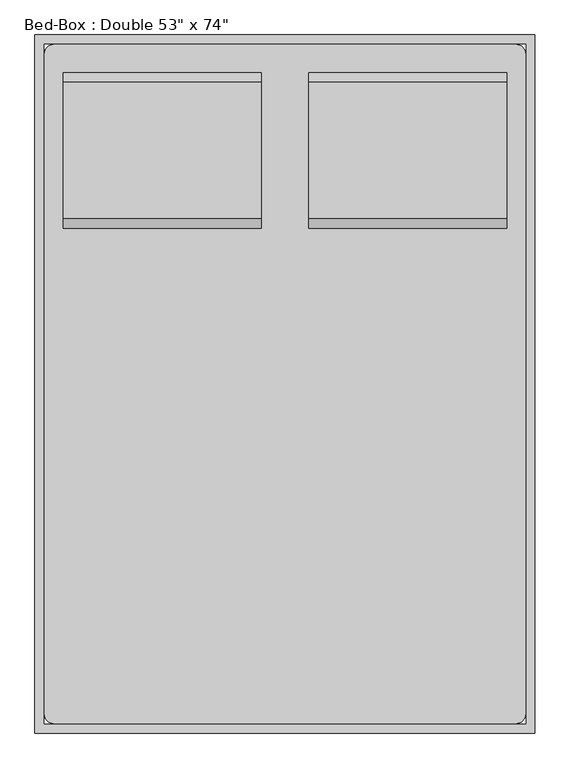
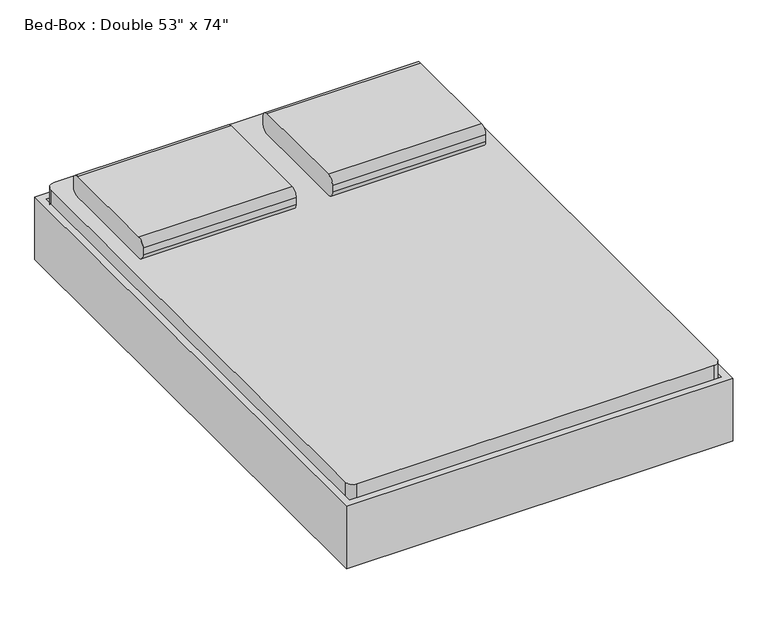
"""IFC4 building model written with IfcOpenShell, lengths in millimetres: furniture geometry."""

from ifc_helpers import new_model, si_unit, point, frame, frame_2d, origin, place, context, project, spatial, polyline, circle_curve, trimmed, segment, composite_curve, outline, extrude, source, transform, mapped, element, save
from ifc_brep_helpers import plane_surface, cylinder_surface, revolved_surface, advanced_brep


def furniture_c8abb964(model_context):
    return source(origin(), model_context, "Body", "SolidModel", [
        extrude(outline(composite_curve([segment(polyline([(578.3704918, 406.4), (210.0704918, 406.4)]), True, "CONTINUOUS"), segment(trimmed(circle_curve(frame_2d((210.0704918, 431.8)), 25.4), [point((210.0704918, 406.4))], [point((184.6704918, 431.8))], False, "CARTESIAN"), True, "CONTINUOUS"), segment(polyline([(184.6704918, 431.8), (184.6704918, 457.2)]), True, "CONTINUOUS"), segment(trimmed(circle_curve(frame_2d((210.0704918, 457.2)), 25.4), [point((184.6704918, 457.2))], [point((210.0704918, 482.6))], False, "CARTESIAN"), True, "CONTINUOUS"), segment(polyline([(210.0704918, 482.6), (578.3704918, 482.6)]), True, "CONTINUOUS"), segment(trimmed(circle_curve(frame_2d((578.3704918, 457.2)), 25.4), [point((578.3704918, 482.6))], [point((603.7704918, 457.2))], False, "CARTESIAN"), True, "CONTINUOUS"), segment(polyline([(603.7704918, 457.2), (603.7704918, 431.8)]), True, "CONTINUOUS"), segment(trimmed(circle_curve(frame_2d((578.3704918, 431.8)), 25.4), [point((603.7704918, 431.8))], [point((578.3704918, 406.4))], False, "CARTESIAN"), True, "CONTINUOUS")], self_intersect=False)), frame((402.652459, 0.0, 0.0), z_axis=(1.0, 0.0, 0.0), x_axis=(0.0, 1.0, 0.0)), (0.0, 0.0, 1.0), 533.4),
        extrude(outline(composite_curve([segment(polyline([(578.3704918, 406.4), (210.0704918, 406.4)]), True, "CONTINUOUS"), segment(trimmed(circle_curve(frame_2d((210.0704918, 431.8)), 25.4), [point((210.0704918, 406.4))], [point((184.6704918, 431.8))], False, "CARTESIAN"), True, "CONTINUOUS"), segment(polyline([(184.6704918, 431.8), (184.6704918, 457.2)]), True, "CONTINUOUS"), segment(trimmed(circle_curve(frame_2d((210.0704918, 457.2)), 25.4), [point((184.6704918, 457.2))], [point((210.0704918, 482.6))], False, "CARTESIAN"), True, "CONTINUOUS"), segment(polyline([(210.0704918, 482.6), (578.3704918, 482.6)]), True, "CONTINUOUS"), segment(trimmed(circle_curve(frame_2d((578.3704918, 457.2)), 25.4), [point((578.3704918, 482.6))], [point((603.7704918, 457.2))], False, "CARTESIAN"), True, "CONTINUOUS"), segment(polyline([(603.7704918, 457.2), (603.7704918, 431.8)]), True, "CONTINUOUS"), segment(trimmed(circle_curve(frame_2d((578.3704918, 431.8)), 25.4), [point((603.7704918, 431.8))], [point((578.3704918, 406.4))], False, "CARTESIAN"), True, "CONTINUOUS")], self_intersect=False)), frame((-257.747541, 0.0, 0.0), z_axis=(1.0, 0.0, 0.0), x_axis=(0.0, 1.0, 0.0)), (0.0, 0.0, 1.0), 533.4),
        advanced_brep(
        [(-308.2231784, 451.3704918, 177.8), (-308.2231784, 375.1704918, 177.8), (-308.2231784, 375.1704918, 196.85), (-308.2231784, 451.3704918, 196.85), (-257.4231784, 451.3704918, 177.8), (-257.4231784, 375.1704918, 177.8), (-245.2869899, 375.1704918, 196.85), (-245.2869899, 451.3704918, 196.85), (-181.3523099, 451.3704918, 14.6654962), (-181.3523099, 375.1704918, 14.6654962), (-164.0871466, 375.1704918, 22.716374), (-164.0871466, 451.3704918, 22.716374), (-158.3320921, 375.1704918, 0.0), (-158.3320921, 451.3704918, 0.0), (-158.3320921, 375.1704918, 19.05), (-158.3320921, 451.3704918, 19.05), (-79.7195862, 451.3704918, 0.0), (-79.7195862, 375.1704918, 0.0), (-79.7195862, 375.1704918, 19.05), (-79.7195862, 451.3704918, 19.05), (-67.0195862, 375.1704918, 3.4029547), (-67.0195862, 451.3704918, 3.4029547), (-76.5445862, 375.1704918, 19.9007387), (-76.5445862, 451.3704918, 19.9007387), (-6.922541, 451.3704918, 38.1), (-6.922541, 375.1704918, 38.1), (-12.0269731, 375.1704918, 57.15), (-12.0269731, 451.3704918, 57.15), (685.5518216, 451.3704918, 38.1), (685.5518216, 375.1704918, 38.1), (690.6562537, 375.1704918, 57.15), (690.6562537, 451.3704918, 57.15), (745.6488669, 451.3704918, 3.4029547), (745.6488669, 375.1704918, 3.4029547), (755.1738669, 375.1704918, 19.9007387), (755.1738669, 451.3704918, 19.9007387), (758.3488669, 375.1704918, 0.0), (758.3488669, 451.3704918, 0.0), (758.3488669, 375.1704918, 19.05), (758.3488669, 451.3704918, 19.05), (836.9613728, 451.3704918, 0.0), (836.9613728, 375.1704918, 0.0), (836.9613728, 375.1704918, 19.05), (836.9613728, 451.3704918, 19.05), (859.9815906, 375.1704918, 14.6654962), (859.9815906, 451.3704918, 14.6654962), (842.7164272, 375.1704918, 22.716374), (842.7164272, 451.3704918, 22.716374), (936.052459, 451.3704918, 177.8), (936.052459, 375.1704918, 177.8), (923.9162705, 375.1704918, 196.85), (923.9162705, 451.3704918, 196.85), (986.852459, 451.3704918, 177.8), (986.852459, 451.3704918, 196.85), (986.852459, 375.1704918, 196.85), (986.852459, 375.1704918, 177.8)],
        [
            (0, 1),
            (1, 2),
            (2, 3),
            (3, 0),
            (0, 4),
            (4, 5),
            (5, 1),
            (5, 6),
            (6, 2),
            (6, 7),
            (7, 3),
            (7, 4),
            (4, 8),
            (8, 9),
            (9, 5),
            (9, 10),
            (10, 6),
            (10, 11),
            (11, 7),
            (11, 8),
            (12, 9, circle_curve(frame((-158.3320921, 375.1704918, 25.4), z_axis=(0.0, 1.0, 0.0), x_axis=(-0.9063077870366486, 0.0, -0.42261826174070233)), 25.4)),
            (8, 13, circle_curve(frame((-158.3320921, 451.3704918, 25.4), z_axis=(0.0, -1.0, 0.0), x_axis=(-0.9063077870366486, 0.0, -0.42261826174070233)), 25.4)),
            (13, 12),
            (14, 10, circle_curve(frame((-158.3320921, 375.1704918, 25.4), z_axis=(0.0, 1.0, 0.0), x_axis=(-0.9063077870366486, 0.0, -0.42261826174070233)), 6.35)),
            (12, 14),
            (15, 11, circle_curve(frame((-158.3320921, 451.3704918, 25.4), z_axis=(0.0, 1.0, 0.0), x_axis=(-0.9063077870366486, 0.0, -0.42261826174070233)), 6.35)),
            (14, 15),
            (15, 13),
            (13, 16),
            (16, 17),
            (17, 12),
            (17, 18),
            (18, 14),
            (18, 19),
            (19, 15),
            (19, 16),
            (20, 17, circle_curve(frame((-79.7195862, 375.1704918, 25.4), z_axis=(0.0, 1.0, 0.0), x_axis=(0.0, 0.0, -1.0)), 25.4)),
            (16, 21, circle_curve(frame((-79.7195862, 451.3704918, 25.4), z_axis=(0.0, -1.0, 0.0), x_axis=(0.0, 0.0, -1.0)), 25.4)),
            (21, 20),
            (22, 18, circle_curve(frame((-79.7195862, 375.1704918, 25.4), z_axis=(0.0, 1.0, 0.0), x_axis=(0.0, 0.0, -1.0)), 6.35)),
            (20, 22),
            (23, 19, circle_curve(frame((-79.7195862, 451.3704918, 25.4), z_axis=(0.0, 1.0, 0.0), x_axis=(0.0, 0.0, -1.0)), 6.35)),
            (22, 23),
            (23, 21),
            (21, 24),
            (24, 25),
            (25, 20),
            (25, 26),
            (26, 22),
            (26, 27),
            (27, 23),
            (27, 24),
            (24, 28),
            (28, 29),
            (29, 25),
            (29, 30),
            (30, 26),
            (30, 31),
            (31, 27),
            (31, 28),
            (28, 32),
            (32, 33),
            (33, 29),
            (33, 34),
            (34, 30),
            (34, 35),
            (35, 31),
            (35, 32),
            (36, 33, circle_curve(frame((758.3488669, 375.1704918, 25.4), z_axis=(0.0, 1.0, 0.0), x_axis=(-0.5000000000000463, 0.0, -0.8660254037844118)), 25.4)),
            (32, 37, circle_curve(frame((758.3488669, 451.3704918, 25.4), z_axis=(0.0, -1.0, 0.0), x_axis=(-0.5000000000000463, 0.0, -0.8660254037844118)), 25.4)),
            (37, 36),
            (38, 34, circle_curve(frame((758.3488669, 375.1704918, 25.4), z_axis=(0.0, 1.0, 0.0), x_axis=(-0.5000000000000463, 0.0, -0.8660254037844118)), 6.35)),
            (36, 38),
            (39, 35, circle_curve(frame((758.3488669, 451.3704918, 25.4), z_axis=(0.0, 1.0, 0.0), x_axis=(-0.5000000000000463, 0.0, -0.8660254037844118)), 6.35)),
            (38, 39),
            (39, 37),
            (37, 40),
            (40, 41),
            (41, 36),
            (41, 42),
            (42, 38),
            (42, 43),
            (43, 39),
            (43, 40),
            (44, 41, circle_curve(frame((836.9613728, 375.1704918, 25.4), z_axis=(0.0, 1.0, 0.0), x_axis=(0.0, 0.0, -1.0)), 25.4)),
            (40, 45, circle_curve(frame((836.9613728, 451.3704918, 25.4), z_axis=(0.0, -1.0, 0.0), x_axis=(0.0, 0.0, -1.0)), 25.4)),
            (45, 44),
            (46, 42, circle_curve(frame((836.9613728, 375.1704918, 25.4), z_axis=(0.0, 1.0, 0.0), x_axis=(0.0, 0.0, -1.0)), 6.35)),
            (44, 46),
            (47, 43, circle_curve(frame((836.9613728, 451.3704918, 25.4), z_axis=(0.0, 1.0, 0.0), x_axis=(0.0, 0.0, -1.0)), 6.35)),
            (46, 47),
            (47, 45),
            (45, 48),
            (48, 49),
            (49, 44),
            (49, 50),
            (50, 46),
            (50, 51),
            (51, 47),
            (51, 48),
            (52, 53),
            (53, 54),
            (54, 55),
            (55, 52),
            (48, 52),
            (55, 49),
            (54, 50),
            (53, 51),
        ],
        [
            plane_surface(frame((-308.2231784, 705.3704918, -152.9490627), z_axis=(-1.0, 0.0, 0.0), x_axis=(0.0, 1.0, 0.0))),
            plane_surface(frame((-308.2231784, 451.3704918, 177.8), z_axis=(0.0, 0.0, -1.0), x_axis=(1.0, 0.0, 0.0))),
            plane_surface(frame((-308.2231784, 375.1704918, 177.8), z_axis=(0.0, -1.0, 0.0), x_axis=(1.0, 0.0, 0.0))),
            plane_surface(frame((-308.2231784, 375.1704918, 196.85), z_axis=(0.0, 0.0, 1.0), x_axis=(1.0, 0.0, 0.0))),
            plane_surface(frame((-308.2231784, 451.3704918, 196.85), z_axis=(0.0, 1.0, 0.0), x_axis=(1.0, 0.0, 0.0))),
            plane_surface(frame((-257.4231784, 451.3704918, 177.8), z_axis=(-0.9063077870366488, 0.0, -0.42261826174070194), x_axis=(0.42261826174070194, 0.0, -0.9063077870366488))),
            plane_surface(frame((-257.4231784, 375.1704918, 177.8), z_axis=(0.0, -1.0, 0.0), x_axis=(0.42261826174070194, 0.0, -0.9063077870366488))),
            plane_surface(frame((-245.2869899, 375.1704918, 196.85), z_axis=(0.9063077870366487, 0.0, 0.4226182617407021), x_axis=(0.4226182617407021, 0.0, -0.9063077870366487))),
            plane_surface(frame((-245.2869899, 451.3704918, 196.85), z_axis=(0.0, 1.0, 0.0), x_axis=(0.4226182617407021, 0.0, -0.9063077870366487))),
            cylinder_surface(frame((-158.3320921, 705.3704918, 25.4), z_axis=(0.0, -1.0, 0.0), x_axis=(-0.9063077870366486, 0.0, -0.42261826174070233)), 25.4),
            plane_surface(frame((-158.3320921, 375.1704918, 25.4), z_axis=(0.0, -1.0, 0.0), x_axis=(-0.9063077870366486, 0.0, -0.42261826174070233))),
            revolved_surface(polyline([(-164.08714654768272, 375.1704918, 22.71637403794654), (-164.08714654768272, 451.3704918, 22.71637403794654)]), (-158.3320921, 705.3704918, 25.4), (0.0, -1.0, 0.0)),
            plane_surface(frame((-158.3320921, 451.3704918, 25.4), z_axis=(0.0, 1.0, 0.0), x_axis=(-0.9063077870366486, 0.0, -0.42261826174070233))),
            plane_surface(frame((-158.3320921, 451.3704918, 0.0), z_axis=(0.0, 0.0, -1.0), x_axis=(1.0, 0.0, 0.0))),
            plane_surface(frame((-158.3320921, 375.1704918, 0.0), z_axis=(0.0, -1.0, 0.0), x_axis=(1.0, 0.0, 0.0))),
            plane_surface(frame((-158.3320921, 375.1704918, 19.05), z_axis=(0.0, 0.0, 1.0), x_axis=(1.0, 0.0, 0.0))),
            plane_surface(frame((-158.3320921, 451.3704918, 19.05), z_axis=(0.0, 1.0, 0.0), x_axis=(1.0, 0.0, 0.0))),
            cylinder_surface(frame((-79.7195862, 705.3704918, 25.4), z_axis=(0.0, -1.0, 0.0), x_axis=(0.0, 0.0, -1.0)), 25.4),
            plane_surface(frame((-79.7195862, 375.1704918, 25.4), z_axis=(0.0, -1.0, 0.0), x_axis=(0.0, 0.0, -1.0))),
            revolved_surface(polyline([(-79.7195862, 375.1704918, 19.049999999999997), (-79.7195862, 451.3704918, 19.049999999999997)]), (-79.7195862, 705.3704918, 25.4), (0.0, -1.0, 0.0)),
            plane_surface(frame((-79.7195862, 451.3704918, 25.4), z_axis=(0.0, 1.0, 0.0), x_axis=(0.0, 0.0, -1.0))),
            plane_surface(frame((-67.0195862, 451.3704918, 3.4029547), z_axis=(0.4999999999998775, 0.0, -0.8660254037845094), x_axis=(0.8660254037845094, 0.0, 0.4999999999998775))),
            plane_surface(frame((-67.0195862, 375.1704918, 3.4029547), z_axis=(0.0, -1.0, 0.0), x_axis=(0.866025403784509, 0.0, 0.49999999999987826))),
            plane_surface(frame((-76.5445862, 375.1704918, 19.9007387), z_axis=(-0.49999999999987754, 0.0, 0.8660254037845093), x_axis=(0.8660254037845093, 0.0, 0.49999999999987754))),
            plane_surface(frame((-76.5445862, 451.3704918, 19.9007387), z_axis=(0.0, 1.0000000000000002, 0.0), x_axis=(0.8660254037845091, 0.0, 0.49999999999987815))),
            plane_surface(frame((-6.922541, 451.3704918, 38.1), z_axis=(0.0, 0.0, -1.0), x_axis=(1.0, 0.0, 0.0))),
            plane_surface(frame((-6.922541, 375.1704918, 38.1), z_axis=(0.0, -1.0, 0.0), x_axis=(1.0, 0.0, 0.0))),
            plane_surface(frame((-12.0269731, 375.1704918, 57.15), z_axis=(0.0, 0.0, 1.0), x_axis=(1.0, 0.0, 0.0))),
            plane_surface(frame((-12.0269731, 451.3704918, 57.15), z_axis=(0.0, 1.0, 0.0), x_axis=(1.0, 0.0, 0.0))),
            plane_surface(frame((685.5518216, 451.3704918, 38.1), z_axis=(-0.500000000000047, 0.0, -0.8660254037844116), x_axis=(0.8660254037844116, 0.0, -0.500000000000047))),
            plane_surface(frame((685.5518216, 375.1704918, 38.1), z_axis=(0.0, -1.0, 0.0), x_axis=(0.8660254037844122, 0.0, -0.5000000000000459))),
            plane_surface(frame((690.6562537, 375.1704918, 57.15), z_axis=(0.5000000000000461, 0.0, 0.8660254037844121), x_axis=(0.8660254037844121, 0.0, -0.5000000000000461))),
            plane_surface(frame((690.6562537, 451.3704918, 57.15), z_axis=(0.0, 1.0, 0.0), x_axis=(0.8660254037844127, 0.0, -0.500000000000045))),
            cylinder_surface(frame((758.3488669, 705.3704918, 25.4), z_axis=(0.0, -1.0, 0.0), x_axis=(-0.5000000000000463, 0.0, -0.8660254037844118)), 25.4),
            plane_surface(frame((758.3488669, 375.1704918, 25.4), z_axis=(0.0, -1.0000000000000002, 0.0), x_axis=(-0.5000000000000464, 0.0, -0.866025403784412))),
            revolved_surface(polyline([(755.1738668999997, 375.1704918, 19.90073868596898), (755.1738668999997, 451.3704918, 19.90073868596898)]), (758.3488669, 705.3704918, 25.4), (0.0, -1.0, 0.0)),
            plane_surface(frame((758.3488669, 451.3704918, 25.4), z_axis=(0.0, 1.0000000000000002, 0.0), x_axis=(-0.5000000000000464, 0.0, -0.866025403784412))),
            plane_surface(frame((758.3488669, 451.3704918, 0.0), z_axis=(0.0, 0.0, -1.0), x_axis=(1.0, 0.0, 0.0))),
            plane_surface(frame((758.3488669, 375.1704918, 0.0), z_axis=(0.0, -1.0, 0.0), x_axis=(1.0, 0.0, 0.0))),
            plane_surface(frame((758.3488669, 375.1704918, 19.05), z_axis=(0.0, 0.0, 1.0), x_axis=(1.0, 0.0, 0.0))),
            plane_surface(frame((758.3488669, 451.3704918, 19.05), z_axis=(0.0, 1.0, 0.0), x_axis=(1.0, 0.0, 0.0))),
            cylinder_surface(frame((836.9613728, 705.3704918, 25.4), z_axis=(0.0, -1.0, 0.0), x_axis=(0.0, 0.0, -1.0)), 25.4),
            plane_surface(frame((836.9613728, 375.1704918, 25.4), z_axis=(0.0, -1.0, 0.0), x_axis=(0.0, 0.0, -1.0))),
            revolved_surface(polyline([(836.9613728, 375.1704918, 19.049999999999997), (836.9613728, 451.3704918, 19.049999999999997)]), (836.9613728, 705.3704918, 25.4), (0.0, -1.0, 0.0)),
            plane_surface(frame((836.9613728, 451.3704918, 25.4), z_axis=(0.0, 1.0, 0.0), x_axis=(0.0, 0.0, -1.0))),
            plane_surface(frame((859.9815906, 451.3704918, 14.6654962), z_axis=(0.9063077870366797, 0.0, -0.42261826174063566), x_axis=(0.42261826174063566, 0.0, 0.9063077870366797))),
            plane_surface(frame((859.9815906, 375.1704918, 14.6654962), z_axis=(0.0, -1.0000000000000002, 0.0), x_axis=(0.4226182617406349, 0.0, 0.9063077870366801))),
            plane_surface(frame((842.7164272, 375.1704918, 22.716374), z_axis=(-0.9063077870366799, 0.0, 0.4226182617406354), x_axis=(0.4226182617406354, 0.0, 0.9063077870366799))),
            plane_surface(frame((842.7164272, 451.3704918, 22.716374), z_axis=(0.0, 1.0, 0.0), x_axis=(0.42261826174063555, 0.0, 0.9063077870366798))),
            plane_surface(frame((986.852459, 705.3704918, -152.9490627), z_axis=(1.0, 0.0, 0.0), x_axis=(0.0, 1.0, 0.0))),
            plane_surface(frame((936.052459, 451.3704918, 177.8), z_axis=(0.0, 0.0, -1.0), x_axis=(1.0, 0.0, 0.0))),
            plane_surface(frame((936.052459, 375.1704918, 177.8), z_axis=(0.0, -1.0, 0.0), x_axis=(1.0, 0.0, 0.0))),
            plane_surface(frame((923.9162705, 375.1704918, 196.85), z_axis=(0.0, 0.0, 1.0), x_axis=(1.0, 0.0, 0.0))),
            plane_surface(frame((923.9162705, 451.3704918, 196.85), z_axis=(0.0, 1.0, 0.0), x_axis=(1.0, 0.0, 0.0))),
        ],
        [
            (0, [[1, 2, 3, 4]]),
            (1, [[-1, 5, 6, 7]]),
            (2, [[-2, -7, 8, 9]]),
            (3, [[-3, -9, 10, 11]]),
            (4, [[-4, -11, 12, -5]]),
            (5, [[-6, 13, 14, 15]]),
            (6, [[-8, -15, 16, 17]]),
            (7, [[-10, -17, 18, 19]]),
            (8, [[-12, -19, 20, -13]]),
            (9, [[21, -14, 22, 23]]),
            (10, [[24, -16, -21, 25]]),
            (11, [[26, -18, -24, 27]]),
            (12, [[-22, -20, -26, 28]]),
            (13, [[-23, 29, 30, 31]]),
            (14, [[-25, -31, 32, 33]]),
            (15, [[-27, -33, 34, 35]]),
            (16, [[-28, -35, 36, -29]]),
            (17, [[37, -30, 38, 39]]),
            (18, [[40, -32, -37, 41]]),
            (19, [[42, -34, -40, 43]]),
            (20, [[-38, -36, -42, 44]]),
            (21, [[-39, 45, 46, 47]]),
            (22, [[-41, -47, 48, 49]]),
            (23, [[-43, -49, 50, 51]]),
            (24, [[-44, -51, 52, -45]]),
            (25, [[-46, 53, 54, 55]]),
            (26, [[-48, -55, 56, 57]]),
            (27, [[-50, -57, 58, 59]]),
            (28, [[-52, -59, 60, -53]]),
            (29, [[-54, 61, 62, 63]]),
            (30, [[-56, -63, 64, 65]]),
            (31, [[-58, -65, 66, 67]]),
            (32, [[-60, -67, 68, -61]]),
            (33, [[69, -62, 70, 71]]),
            (34, [[72, -64, -69, 73]]),
            (35, [[74, -66, -72, 75]]),
            (36, [[-70, -68, -74, 76]]),
            (37, [[-71, 77, 78, 79]]),
            (38, [[-73, -79, 80, 81]]),
            (39, [[-75, -81, 82, 83]]),
            (40, [[-76, -83, 84, -77]]),
            (41, [[85, -78, 86, 87]]),
            (42, [[88, -80, -85, 89]]),
            (43, [[90, -82, -88, 91]]),
            (44, [[-86, -84, -90, 92]]),
            (45, [[-87, 93, 94, 95]]),
            (46, [[-89, -95, 96, 97]]),
            (47, [[-91, -97, 98, 99]]),
            (48, [[-92, -99, 100, -93]]),
            (49, [[101, 102, 103, 104]]),
            (50, [[-94, 105, -104, 106]]),
            (51, [[-96, -106, -103, 107]]),
            (52, [[-98, -107, -102, 108]]),
            (53, [[-100, -108, -101, -105]]),
        ],
    ),
        extrude(outline(composite_curve([segment(polyline([(-283.147541, 679.9704918), (961.452459, 679.9704918)]), True, "CONTINUOUS"), segment(trimmed(circle_curve(frame_2d((961.452459, 654.5704918)), 25.4), [point((961.452459, 679.9704918))], [point((986.852459, 654.5704918))], False, "CARTESIAN"), True, "CONTINUOUS"), segment(polyline([(986.852459, 654.5704918), (986.852459, -1123.4295082)]), True, "CONTINUOUS"), segment(trimmed(circle_curve(frame_2d((961.452459, -1123.4295082)), 25.4), [point((986.852459, -1123.4295082))], [point((961.452459, -1148.8295082))], False, "CARTESIAN"), True, "CONTINUOUS"), segment(polyline([(961.452459, -1148.8295082), (-283.147541, -1148.8295082)]), True, "CONTINUOUS"), segment(trimmed(circle_curve(frame_2d((-283.147541, -1123.4295082)), 25.4), [point((-283.147541, -1148.8295082))], [point((-308.547541, -1123.4295082))], False, "CARTESIAN"), True, "CONTINUOUS"), segment(polyline([(-308.547541, -1123.4295082), (-308.547541, 654.5704918)]), True, "CONTINUOUS"), segment(trimmed(circle_curve(frame_2d((-283.147541, 654.5704918)), 25.4), [point((-308.547541, 654.5704918))], [point((-283.147541, 679.9704918))], False, "CARTESIAN"), True, "CONTINUOUS")], self_intersect=False)), frame((0.0, 0.0, 203.2), z_axis=(0.0, 0.0, 1.0), x_axis=(1.0, 0.0, 0.0)), (0.0, 0.0, 1.0), 203.2),
        advanced_brep(
        [(-308.547541, -869.4295082, 196.85), (-308.547541, -869.4295082, 177.8), (-308.547541, -945.6295082, 177.8), (-308.547541, -945.6295082, 196.85), (-245.6113525, -869.4295082, 196.85), (-257.747541, -869.4295082, 177.8), (-257.747541, -945.6295082, 177.8), (-245.6113525, -945.6295082, 196.85), (-164.4115092, -869.4295082, 22.716374), (-181.6766725, -869.4295082, 14.6654962), (-181.6766725, -945.6295082, 14.6654962), (-164.4115092, -945.6295082, 22.716374), (-158.6564547, -869.4295082, 0.0), (-158.6564547, -869.4295082, 19.05), (-158.6564547, -945.6295082, 0.0), (-158.6564547, -945.6295082, 19.05), (-80.0439489, -869.4295082, 19.05), (-80.0439489, -869.4295082, 0.0), (-80.0439489, -945.6295082, 0.0), (-80.0439489, -945.6295082, 19.05), (-67.3439489, -869.4295082, 3.4029547), (-76.8689489, -869.4295082, 19.9007387), (-67.3439489, -945.6295082, 3.4029547), (-76.8689489, -945.6295082, 19.9007387), (-12.3513357, -869.4295082, 57.15), (-7.2469036, -869.4295082, 38.1), (-7.2469036, -945.6295082, 38.1), (-12.3513357, -945.6295082, 57.15), (690.6562537, -869.4295082, 57.15), (685.5518216, -869.4295082, 38.1), (685.5518216, -945.6295082, 38.1), (690.6562537, -945.6295082, 57.15), (755.1738669, -869.4295082, 19.9007387), (745.6488669, -869.4295082, 3.4029547), (745.6488669, -945.6295082, 3.4029547), (755.1738669, -945.6295082, 19.9007387), (758.3488669, -869.4295082, 0.0), (758.3488669, -869.4295082, 19.05), (758.3488669, -945.6295082, 0.0), (758.3488669, -945.6295082, 19.05), (836.9613728, -869.4295082, 19.05), (836.9613728, -869.4295082, 0.0), (836.9613728, -945.6295082, 0.0), (836.9613728, -945.6295082, 19.05), (859.9815906, -869.4295082, 14.6654962), (842.7164272, -869.4295082, 22.716374), (859.9815906, -945.6295082, 14.6654962), (842.7164272, -945.6295082, 22.716374), (923.9162705, -869.4295082, 196.85), (936.052459, -869.4295082, 177.8), (936.052459, -945.6295082, 177.8), (923.9162705, -945.6295082, 196.85), (986.852459, -869.4295082, 196.85), (986.852459, -945.6295082, 196.85), (986.852459, -945.6295082, 177.8), (986.852459, -869.4295082, 177.8)],
        [
            (0, 1),
            (1, 2),
            (2, 3),
            (3, 0),
            (0, 4),
            (4, 5),
            (5, 1),
            (5, 6),
            (6, 2),
            (6, 7),
            (7, 3),
            (7, 4),
            (4, 8),
            (8, 9),
            (9, 5),
            (9, 10),
            (10, 6),
            (10, 11),
            (11, 7),
            (11, 8),
            (12, 9, circle_curve(frame((-158.6564547, -869.4295082, 25.4), z_axis=(0.0, 1.0, 0.0), x_axis=(-0.906307787036663, 0.0, -0.4226182617406713)), 25.4)),
            (8, 13, circle_curve(frame((-158.6564547, -869.4295082, 25.4), z_axis=(0.0, -1.0, 0.0), x_axis=(-0.906307787036663, 0.0, -0.4226182617406713)), 6.35)),
            (13, 12),
            (14, 10, circle_curve(frame((-158.6564547, -945.6295082, 25.4), z_axis=(0.0, 1.0, 0.0), x_axis=(-0.906307787036663, 0.0, -0.4226182617406713)), 25.4)),
            (12, 14),
            (15, 11, circle_curve(frame((-158.6564547, -945.6295082, 25.4), z_axis=(0.0, 1.0, 0.0), x_axis=(-0.906307787036663, 0.0, -0.4226182617406713)), 6.35)),
            (14, 15),
            (15, 13),
            (13, 16),
            (16, 17),
            (17, 12),
            (17, 18),
            (18, 14),
            (18, 19),
            (19, 15),
            (19, 16),
            (20, 17, circle_curve(frame((-80.0439489, -869.4295082, 25.4), z_axis=(0.0, 1.0, 0.0), x_axis=(0.0, 0.0, -1.0)), 25.4)),
            (16, 21, circle_curve(frame((-80.0439489, -869.4295082, 25.4), z_axis=(0.0, -1.0, 0.0), x_axis=(0.0, 0.0, -1.0)), 6.35)),
            (21, 20),
            (22, 18, circle_curve(frame((-80.0439489, -945.6295082, 25.4), z_axis=(0.0, 1.0, 0.0), x_axis=(0.0, 0.0, -1.0)), 25.4)),
            (20, 22),
            (23, 19, circle_curve(frame((-80.0439489, -945.6295082, 25.4), z_axis=(0.0, 1.0, 0.0), x_axis=(0.0, 0.0, -1.0)), 6.35)),
            (22, 23),
            (23, 21),
            (21, 24),
            (24, 25),
            (25, 20),
            (25, 26),
            (26, 22),
            (26, 27),
            (27, 23),
            (27, 24),
            (24, 28),
            (28, 29),
            (29, 25),
            (29, 30),
            (30, 26),
            (30, 31),
            (31, 27),
            (31, 28),
            (28, 32),
            (32, 33),
            (33, 29),
            (33, 34),
            (34, 30),
            (34, 35),
            (35, 31),
            (35, 32),
            (36, 33, circle_curve(frame((758.3488669, -869.4295082, 25.4), z_axis=(0.0, 1.0, 0.0), x_axis=(-0.5000000000000479, 0.0, -0.866025403784411)), 25.4)),
            (32, 37, circle_curve(frame((758.3488669, -869.4295082, 25.4), z_axis=(0.0, -1.0, 0.0), x_axis=(-0.5000000000000479, 0.0, -0.866025403784411)), 6.35)),
            (37, 36),
            (38, 34, circle_curve(frame((758.3488669, -945.6295082, 25.4), z_axis=(0.0, 1.0, 0.0), x_axis=(-0.5000000000000479, 0.0, -0.866025403784411)), 25.4)),
            (36, 38),
            (39, 35, circle_curve(frame((758.3488669, -945.6295082, 25.4), z_axis=(0.0, 1.0, 0.0), x_axis=(-0.5000000000000479, 0.0, -0.866025403784411)), 6.35)),
            (38, 39),
            (39, 37),
            (37, 40),
            (40, 41),
            (41, 36),
            (41, 42),
            (42, 38),
            (42, 43),
            (43, 39),
            (43, 40),
            (44, 41, circle_curve(frame((836.9613728, -869.4295082, 25.4), z_axis=(0.0, 1.0, 0.0), x_axis=(0.0, 0.0, -1.0)), 25.4)),
            (40, 45, circle_curve(frame((836.9613728, -869.4295082, 25.4), z_axis=(0.0, -1.0, 0.0), x_axis=(0.0, 0.0, -1.0)), 6.35)),
            (45, 44),
            (46, 42, circle_curve(frame((836.9613728, -945.6295082, 25.4), z_axis=(0.0, 1.0, 0.0), x_axis=(0.0, 0.0, -1.0)), 25.4)),
            (44, 46),
            (47, 43, circle_curve(frame((836.9613728, -945.6295082, 25.4), z_axis=(0.0, 1.0, 0.0), x_axis=(0.0, 0.0, -1.0)), 6.35)),
            (46, 47),
            (47, 45),
            (45, 48),
            (48, 49),
            (49, 44),
            (49, 50),
            (50, 46),
            (50, 51),
            (51, 47),
            (51, 48),
            (52, 53),
            (53, 54),
            (54, 55),
            (55, 52),
            (48, 52),
            (55, 49),
            (54, 50),
            (53, 51),
        ],
        [
            plane_surface(frame((-308.547541, -1174.2295082, -127.5947323), z_axis=(-1.0, 0.0, 0.0), x_axis=(0.0, 1.0, 0.0))),
            plane_surface(frame((-308.547541, -869.4295082, 196.85), z_axis=(0.0, 1.0, 0.0), x_axis=(1.0, 0.0, 0.0))),
            plane_surface(frame((-308.547541, -869.4295082, 177.8), z_axis=(0.0, 0.0, -1.0), x_axis=(1.0, 0.0, 0.0))),
            plane_surface(frame((-308.547541, -945.6295082, 177.8), z_axis=(0.0, -1.0, 0.0), x_axis=(1.0, 0.0, 0.0))),
            plane_surface(frame((-308.547541, -945.6295082, 196.85), z_axis=(0.0, 0.0, 1.0), x_axis=(1.0, 0.0, 0.0))),
            plane_surface(frame((-245.6113525, -869.4295082, 196.85), z_axis=(0.0, 1.0, 0.0), x_axis=(0.422618261740671, 0.0, -0.9063077870366633))),
            plane_surface(frame((-257.747541, -869.4295082, 177.8), z_axis=(-0.9063077870366631, 0.0, -0.42261826174067113), x_axis=(0.42261826174067113, 0.0, -0.9063077870366631))),
            plane_surface(frame((-257.747541, -945.6295082, 177.8), z_axis=(0.0, -1.0, 0.0), x_axis=(0.42261826174067135, 0.0, -0.906307787036663))),
            plane_surface(frame((-245.6113525, -945.6295082, 196.85), z_axis=(0.9063077870366631, 0.0, 0.4226182617406713), x_axis=(0.4226182617406713, 0.0, -0.9063077870366631))),
            plane_surface(frame((-158.6564547, -869.4295082, 25.4), z_axis=(0.0, 1.0, 0.0), x_axis=(-0.906307787036663, 0.0, -0.4226182617406713))),
            cylinder_surface(frame((-158.6564547, -1174.2295082, 25.4), z_axis=(0.0, -1.0, 0.0), x_axis=(-0.906307787036663, 0.0, -0.4226182617406713)), 25.4),
            plane_surface(frame((-158.6564547, -945.6295082, 25.4), z_axis=(0.0, -1.0, 0.0), x_axis=(-0.906307787036663, 0.0, -0.4226182617406713))),
            revolved_surface(polyline([(-164.41150914768284, -945.6295082, 22.716374037946736), (-164.41150914768284, -869.4295082, 22.716374037946736)]), (-158.6564547, -1174.2295082, 25.4), (0.0, -1.0, 0.0)),
            plane_surface(frame((-158.6564547, -869.4295082, 19.05), z_axis=(0.0, 1.0, 0.0), x_axis=(1.0, 0.0, 0.0))),
            plane_surface(frame((-158.6564547, -869.4295082, 0.0), z_axis=(0.0, 0.0, -1.0), x_axis=(1.0, 0.0, 0.0))),
            plane_surface(frame((-158.6564547, -945.6295082, 0.0), z_axis=(0.0, -1.0, 0.0), x_axis=(1.0, 0.0, 0.0))),
            plane_surface(frame((-158.6564547, -945.6295082, 19.05), z_axis=(0.0, 0.0, 1.0), x_axis=(1.0, 0.0, 0.0))),
            plane_surface(frame((-80.0439489, -869.4295082, 25.4), z_axis=(0.0, 1.0, 0.0), x_axis=(0.0, 0.0, -1.0))),
            cylinder_surface(frame((-80.0439489, -1174.2295082, 25.4), z_axis=(0.0, -1.0, 0.0), x_axis=(0.0, 0.0, -1.0)), 25.4),
            plane_surface(frame((-80.0439489, -945.6295082, 25.4), z_axis=(0.0, -1.0, 0.0), x_axis=(0.0, 0.0, -1.0))),
            revolved_surface(polyline([(-80.0439489, -945.6295082, 19.049999999999997), (-80.0439489, -869.4295082, 19.049999999999997)]), (-80.0439489, -1174.2295082, 25.4), (0.0, -1.0, 0.0)),
            plane_surface(frame((-76.8689489, -869.4295082, 19.9007387), z_axis=(0.0, 1.0, 0.0), x_axis=(0.8660254037844785, 0.0, 0.499999999999931))),
            plane_surface(frame((-67.3439489, -869.4295082, 3.4029547), z_axis=(0.499999999999931, 0.0, -0.8660254037844785), x_axis=(0.8660254037844785, 0.0, 0.499999999999931))),
            plane_surface(frame((-67.3439489, -945.6295082, 3.4029547), z_axis=(0.0, -1.0, 0.0), x_axis=(0.8660254037844786, 0.0, 0.49999999999993094))),
            plane_surface(frame((-76.8689489, -945.6295082, 19.9007387), z_axis=(-0.4999999999999312, 0.0, 0.8660254037844785), x_axis=(0.8660254037844785, 0.0, 0.4999999999999312))),
            plane_surface(frame((-12.3513357, -869.4295082, 57.15), z_axis=(0.0, 1.0, 0.0), x_axis=(1.0, 0.0, 0.0))),
            plane_surface(frame((-7.2469036, -869.4295082, 38.1), z_axis=(0.0, 0.0, -1.0), x_axis=(1.0, 0.0, 0.0))),
            plane_surface(frame((-7.2469036, -945.6295082, 38.1), z_axis=(0.0, -1.0, 0.0), x_axis=(1.0, 0.0, 0.0))),
            plane_surface(frame((-12.3513357, -945.6295082, 57.15), z_axis=(0.0, 0.0, 1.0), x_axis=(1.0, 0.0, 0.0))),
            plane_surface(frame((690.6562537, -869.4295082, 57.15), z_axis=(0.0, 1.0, 0.0), x_axis=(0.8660254037844091, 0.0, -0.5000000000000514))),
            plane_surface(frame((685.5518216, -869.4295082, 38.1), z_axis=(-0.5000000000000502, 0.0, -0.8660254037844097), x_axis=(0.8660254037844097, 0.0, -0.5000000000000502))),
            plane_surface(frame((685.5518216, -945.6295082, 38.1), z_axis=(0.0, -1.0, 0.0), x_axis=(0.86602540378441, 0.0, -0.5000000000000498))),
            plane_surface(frame((690.6562537, -945.6295082, 57.15), z_axis=(0.5000000000000505, 0.0, 0.8660254037844095), x_axis=(0.8660254037844095, 0.0, -0.5000000000000505))),
            plane_surface(frame((758.3488669, -869.4295082, 25.4), z_axis=(0.0, 1.0000000000000002, 0.0), x_axis=(-0.500000000000048, 0.0, -0.8660254037844111))),
            cylinder_surface(frame((758.3488669, -1174.2295082, 25.4), z_axis=(0.0, -1.0, 0.0), x_axis=(-0.5000000000000479, 0.0, -0.866025403784411)), 25.4),
            plane_surface(frame((758.3488669, -945.6295082, 25.4), z_axis=(0.0, -1.0000000000000002, 0.0), x_axis=(-0.500000000000048, 0.0, -0.8660254037844111))),
            revolved_surface(polyline([(755.1738668999997, -945.6295082, 19.90073868596899), (755.1738668999997, -869.4295082, 19.90073868596899)]), (758.3488669, -1174.2295082, 25.4), (0.0, -1.0, 0.0)),
            plane_surface(frame((758.3488669, -869.4295082, 19.05), z_axis=(0.0, 1.0, 0.0), x_axis=(1.0, 0.0, 0.0))),
            plane_surface(frame((758.3488669, -869.4295082, 0.0), z_axis=(0.0, 0.0, -1.0), x_axis=(1.0, 0.0, 0.0))),
            plane_surface(frame((758.3488669, -945.6295082, 0.0), z_axis=(0.0, -1.0, 0.0), x_axis=(1.0, 0.0, 0.0))),
            plane_surface(frame((758.3488669, -945.6295082, 19.05), z_axis=(0.0, 0.0, 1.0), x_axis=(1.0, 0.0, 0.0))),
            plane_surface(frame((836.9613728, -869.4295082, 25.4), z_axis=(0.0, 1.0, 0.0), x_axis=(0.0, 0.0, -1.0))),
            cylinder_surface(frame((836.9613728, -1174.2295082, 25.4), z_axis=(0.0, -1.0, 0.0), x_axis=(0.0, 0.0, -1.0)), 25.4),
            plane_surface(frame((836.9613728, -945.6295082, 25.4), z_axis=(0.0, -1.0, 0.0), x_axis=(0.0, 0.0, -1.0))),
            revolved_surface(polyline([(836.9613728, -945.6295082, 19.049999999999997), (836.9613728, -869.4295082, 19.049999999999997)]), (836.9613728, -1174.2295082, 25.4), (0.0, -1.0, 0.0)),
            plane_surface(frame((842.7164272, -869.4295082, 22.716374), z_axis=(0.0, 1.0, 0.0), x_axis=(0.4226182617405411, 0.0, 0.9063077870367238))),
            plane_surface(frame((859.9815906, -869.4295082, 14.6654962), z_axis=(0.9063077870367237, 0.0, -0.42261826174054157), x_axis=(0.42261826174054157, 0.0, 0.9063077870367237))),
            plane_surface(frame((859.9815906, -945.6295082, 14.6654962), z_axis=(0.0, -1.0, 0.0), x_axis=(0.4226182617405412, 0.0, 0.9063077870367238))),
            plane_surface(frame((842.7164272, -945.6295082, 22.716374), z_axis=(-0.906307787036724, 0.0, 0.422618261740541), x_axis=(0.422618261740541, 0.0, 0.906307787036724))),
            plane_surface(frame((986.852459, -1174.2295082, -127.5947323), z_axis=(1.0, 0.0, 0.0), x_axis=(0.0, 1.0, 0.0))),
            plane_surface(frame((923.9162705, -869.4295082, 196.85), z_axis=(0.0, 1.0, 0.0), x_axis=(1.0, 0.0, 0.0))),
            plane_surface(frame((936.052459, -869.4295082, 177.8), z_axis=(0.0, 0.0, -1.0), x_axis=(1.0, 0.0, 0.0))),
            plane_surface(frame((936.052459, -945.6295082, 177.8), z_axis=(0.0, -1.0, 0.0), x_axis=(1.0, 0.0, 0.0))),
            plane_surface(frame((923.9162705, -945.6295082, 196.85), z_axis=(0.0, 0.0, 1.0), x_axis=(1.0, 0.0, 0.0))),
        ],
        [
            (0, [[1, 2, 3, 4]]),
            (1, [[-1, 5, 6, 7]]),
            (2, [[-2, -7, 8, 9]]),
            (3, [[-3, -9, 10, 11]]),
            (4, [[-4, -11, 12, -5]]),
            (5, [[-6, 13, 14, 15]]),
            (6, [[-8, -15, 16, 17]]),
            (7, [[-10, -17, 18, 19]]),
            (8, [[-12, -19, 20, -13]]),
            (9, [[21, -14, 22, 23]]),
            (10, [[24, -16, -21, 25]]),
            (11, [[26, -18, -24, 27]]),
            (12, [[-22, -20, -26, 28]]),
            (13, [[-23, 29, 30, 31]]),
            (14, [[-25, -31, 32, 33]]),
            (15, [[-27, -33, 34, 35]]),
            (16, [[-28, -35, 36, -29]]),
            (17, [[37, -30, 38, 39]]),
            (18, [[40, -32, -37, 41]]),
            (19, [[42, -34, -40, 43]]),
            (20, [[-38, -36, -42, 44]]),
            (21, [[-39, 45, 46, 47]]),
            (22, [[-41, -47, 48, 49]]),
            (23, [[-43, -49, 50, 51]]),
            (24, [[-44, -51, 52, -45]]),
            (25, [[-46, 53, 54, 55]]),
            (26, [[-48, -55, 56, 57]]),
            (27, [[-50, -57, 58, 59]]),
            (28, [[-52, -59, 60, -53]]),
            (29, [[-54, 61, 62, 63]]),
            (30, [[-56, -63, 64, 65]]),
            (31, [[-58, -65, 66, 67]]),
            (32, [[-60, -67, 68, -61]]),
            (33, [[69, -62, 70, 71]]),
            (34, [[72, -64, -69, 73]]),
            (35, [[74, -66, -72, 75]]),
            (36, [[-70, -68, -74, 76]]),
            (37, [[-71, 77, 78, 79]]),
            (38, [[-73, -79, 80, 81]]),
            (39, [[-75, -81, 82, 83]]),
            (40, [[-76, -83, 84, -77]]),
            (41, [[85, -78, 86, 87]]),
            (42, [[88, -80, -85, 89]]),
            (43, [[90, -82, -88, 91]]),
            (44, [[-86, -84, -90, 92]]),
            (45, [[-87, 93, 94, 95]]),
            (46, [[-89, -95, 96, 97]]),
            (47, [[-91, -97, 98, 99]]),
            (48, [[-92, -99, 100, -93]]),
            (49, [[101, 102, 103, 104]]),
            (50, [[-94, 105, -104, 106]]),
            (51, [[-96, -106, -103, 107]]),
            (52, [[-98, -107, -102, 108]]),
            (53, [[-100, -108, -101, -105]]),
        ],
    ),
        extrude(outline(polyline([(1012.252459, 705.3704918), (1012.252459, -1174.2295082), (-333.947541, -1174.2295082), (-333.947541, 705.3704918), (1012.252459, 705.3704918)]), holes=[polyline([(986.852459, 679.9704918), (-308.547541, 679.9704918), (-308.547541, -1148.8295082), (986.852459, -1148.8295082), (986.852459, 679.9704918)])]), frame((0.0, 0.0, 127.0), z_axis=(0.0, 0.0, 1.0), x_axis=(1.0, 0.0, 0.0)), (0.0, 0.0, 1.0), 228.6),
    ])


if __name__ == "__main__":
    model = new_model("IFC4")
    model_context = context("Model", 3, world=origin())
    ifc_project = project(units=[si_unit("LENGTHUNIT", "METRE", prefix="MILLI")], contexts=[model_context])
    site = spatial("IfcSite", under=ifc_project)
    building = spatial("IfcBuilding", under=site)
    placement = place(None, origin())
    furniture_shape = furniture_c8abb964(model_context)
    element("IfcFurniture", 1, ObjectType="Bed-Box : Double 53\" x 74\"", at=placement, inside=building, context=model_context, shape_type="MappedRepresentation", body=[
        mapped(furniture_shape, transform((0.0, 0.0, 0.0), x_axis=(1.0, 0.0, 0.0), y_axis=(0.0, 1.0, 0.0), z_axis=(0.0, 0.0, 1.0))),
    ])
    save(model, "model.ifc")
